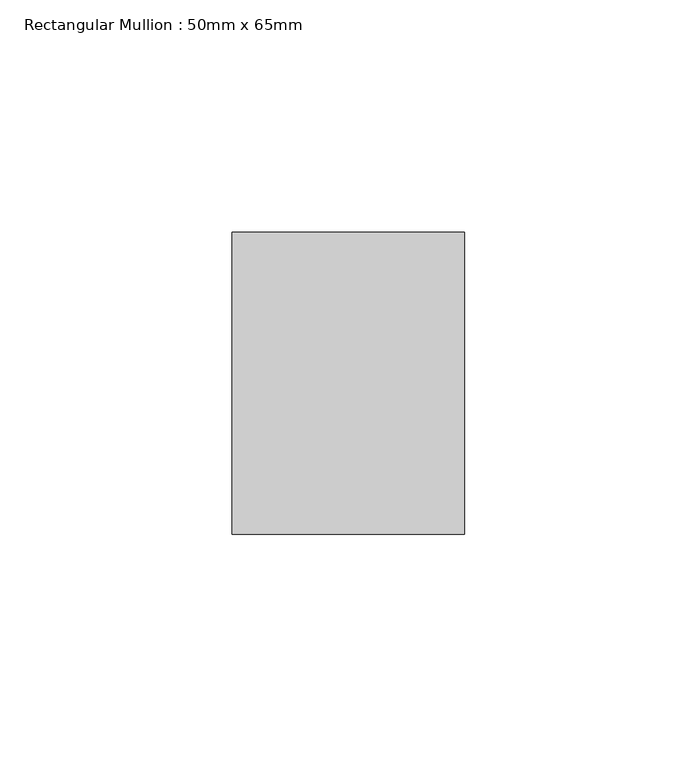
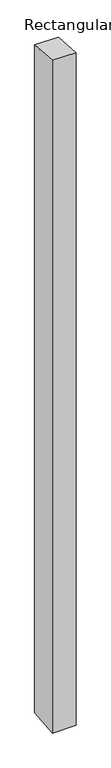
"""IFC4 building model written with IfcOpenShell, lengths in millimetres: member geometry, Rectangular Mullion : 50mm x 65mm."""

from ifc_helpers import new_model, si_unit, origin, place, context, project, spatial, faceted_brep, source, transform, mapped, element, save


def rectangular_mullion_50mm_x_65mm_87580547(model_context):
    return source(origin(), model_context, "Body", "Brep", [
        faceted_brep([(-25.0, 32.5, -2.4319558), (25.0, 32.5, -2.4319428), (25.0, 32.5, -1497.0087196), (-25.0, 32.5, -1497.0087036), (-25.0, -32.5, 2.4319428), (-25.0, -32.5, -1502.9910139), (25.0, -32.5, 2.4319558), (25.0, -32.5, -1502.9910298)], [[[0, 1, 2, 3]], [[4, 0, 3, 5]], [[6, 4, 5, 7]], [[1, 6, 7, 2]], [[1, 0, 4, 6]], [[2, 7, 5, 3]]]),
    ])


if __name__ == "__main__":
    model = new_model("IFC4")
    model_context = context("Model", 3, world=origin())
    ifc_project = project(units=[si_unit("LENGTHUNIT", "METRE", prefix="MILLI")], contexts=[model_context])
    site = spatial("IfcSite", under=ifc_project)
    building = spatial("IfcBuilding", under=site)
    placement = place(None, origin())
    rectangular_mullion_50mm_x_65mm_shape = rectangular_mullion_50mm_x_65mm_87580547(model_context)
    element("IfcMember", 1, ObjectType="Rectangular Mullion : 50mm x 65mm", at=placement, inside=building, context=model_context, shape_type="MappedRepresentation", body=[
        mapped(rectangular_mullion_50mm_x_65mm_shape, transform((0.0, 0.0, 0.0), x_axis=(1.0, 0.0, 0.0), y_axis=(0.0, 1.0, 0.0), z_axis=(0.0, 0.0, 1.0))),
    ])
    save(model, "model.ifc")
